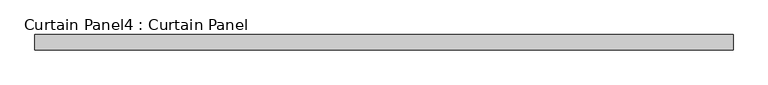
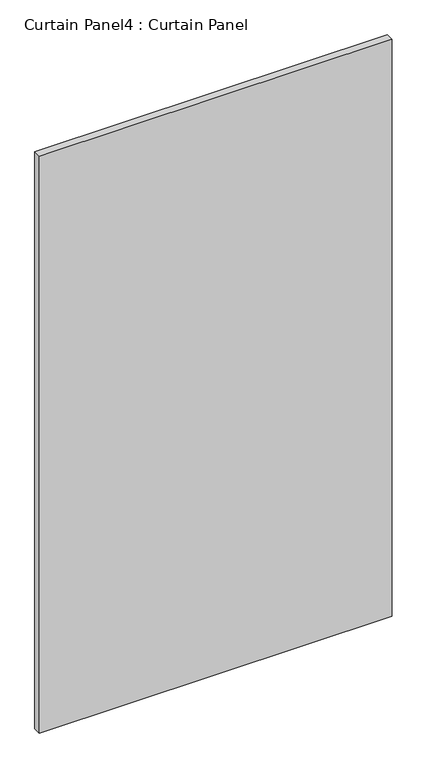
"""IFC4 building model written with IfcOpenShell, lengths in millimetres: plate geometry, Curtain Panel4 : Curtain Panel."""

from ifc_helpers import new_model, si_unit, frame, origin, place, context, project, spatial, polyline, outline, extrude, source, transform, mapped, element, save


def curtain_panel4_curtain_panel_af0c6c11(model_context):
    return source(origin(), model_context, "Body", "SweptSolid", [
        extrude(outline(polyline([(-292159.1274652, -494.5574136), (-293330.7024652, -494.5574136), (-293330.7024652, -469.1574136), (-292159.1274652, -469.1574136), (-292159.1274652, -494.5574136)])), frame((0.0, 0.0, -3576.637373), z_axis=(0.0, 0.0, 1.0), x_axis=(1.0, 0.0, 0.0)), (0.0, 0.0, 1.0), 2025.6236964),
    ])


if __name__ == "__main__":
    model = new_model("IFC4")
    model_context = context("Model", 3, world=origin())
    ifc_project = project(units=[si_unit("LENGTHUNIT", "METRE", prefix="MILLI")], contexts=[model_context])
    site = spatial("IfcSite", under=ifc_project)
    building = spatial("IfcBuilding", under=site)
    placement = place(None, origin())
    curtain_panel4_curtain_panel_shape = curtain_panel4_curtain_panel_af0c6c11(model_context)
    element("IfcPlate", 1, ObjectType="Curtain Panel4 : Curtain Panel", at=placement, inside=building, context=model_context, shape_type="MappedRepresentation", body=[
        mapped(curtain_panel4_curtain_panel_shape, transform((0.0, 0.0, 0.0), x_axis=(1.0, 0.0, 0.0), y_axis=(0.0, 1.0, 0.0), z_axis=(0.0, 0.0, 1.0))),
    ])
    save(model, "model.ifc")
